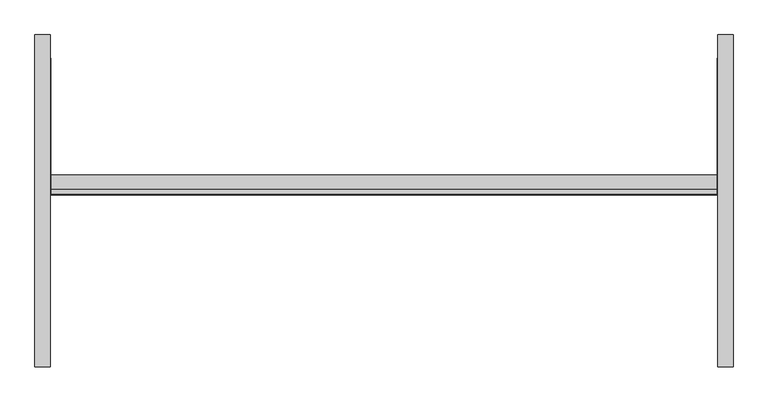
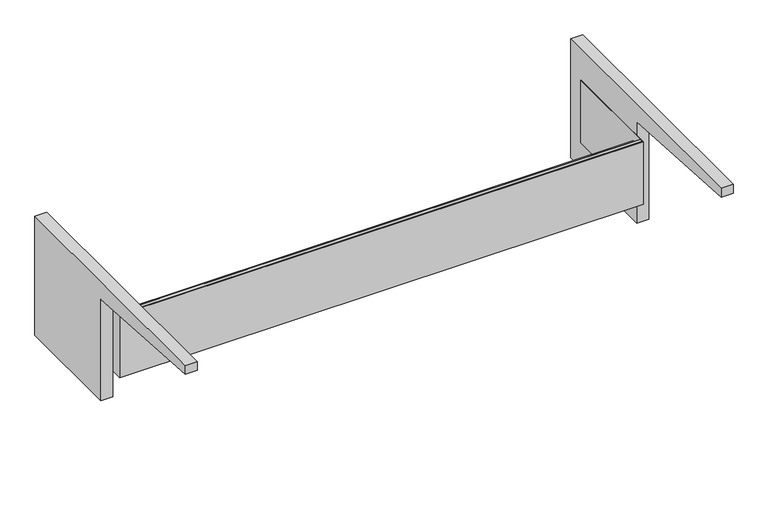
"""IFC4 building model written with IfcOpenShell, lengths in millimetres: furniture geometry."""

from ifc_helpers import new_model, si_unit, point, frame, frame_2d, origin, place, context, project, spatial, polyline, circle_curve, trimmed, segment, composite_curve, outline, extrude, source, transform, mapped, element, save


def furniture_1cb24529(model_context):
    return source(origin(), model_context, "Body", "SweptSolid", [
        extrude(outline(composite_curve([segment(polyline([(254.0, 882.65), (254.0, 533.4), (-63.5, 533.4), (-63.5, 831.85)]), True, "CONTINUOUS"), segment(trimmed(circle_curve(frame_2d((-464.343904, -2317.7524637)), 3175.0073252), [point((-63.5, 831.85))], [point((-469.9, 857.25))], True, "CARTESIAN"), True, "CONTINUOUS"), segment(polyline([(-469.9, 857.25), (-469.9, 882.65), (254.0, 882.65)]), True, "CONTINUOUS")], self_intersect=False)), frame((727.075, 0.0, 0.0), z_axis=(1.0, 0.0, 0.0), x_axis=(0.0, 1.0, 0.0)), (0.0, 0.0, 1.0), 33.3375),
        extrude(outline(composite_curve([segment(polyline([(-469.9, 857.25), (-469.9, 882.65), (254.0, 882.65), (254.0, 533.4), (-63.5, 533.4), (-63.5, 831.85)]), True, "CONTINUOUS"), segment(trimmed(circle_curve(frame_2d((-464.343904, -2317.7524637)), 3175.0073252), [point((-63.5, 831.85))], [point((-469.9, 857.25))], True, "CARTESIAN"), True, "CONTINUOUS")], self_intersect=False)), frame((-760.4125, 0.0, 0.0), z_axis=(1.0, 0.0, 0.0), x_axis=(0.0, 1.0, 0.0)), (0.0, 0.0, 1.0), 33.3375),
        extrude(outline(polyline([(-725.4875, -93.6625), (725.4875, -93.6625), (725.4875, 203.2), (727.075, 203.2), (727.075, -95.25), (-727.075, -95.25), (-727.075, 203.2), (-725.4875, 203.2), (-725.4875, -93.6625)])), frame((0.0, 0.0, 608.9396), z_axis=(0.0, 0.0, 1.0), x_axis=(1.0, 0.0, 0.0)), (0.0, 0.0, 1.0), 184.15),
        extrude(outline(polyline([(-84.1057553, 792.29585), (-93.6625, 792.29585), (-93.6625, 770.07085), (-52.0699988, 770.07085), (-52.0699988, 608.9396), (-95.25, 608.9396), (-95.25, 793.0896), (-83.3120053, 793.0896), (-83.3120053, 786.0791994), (-84.1057553, 786.0791994), (-84.1057553, 792.29585)])), frame((-727.075, 0.0, 0.0), z_axis=(1.0, 0.0, 0.0), x_axis=(0.0, 1.0, 0.0)), (0.0, 0.0, 1.0), 1454.15),
    ])


if __name__ == "__main__":
    model = new_model("IFC4")
    model_context = context("Model", 3, world=origin())
    ifc_project = project(units=[si_unit("LENGTHUNIT", "METRE", prefix="MILLI")], contexts=[model_context])
    site = spatial("IfcSite", under=ifc_project)
    building = spatial("IfcBuilding", under=site)
    placement = place(None, origin())
    furniture_shape = furniture_1cb24529(model_context)
    element("IfcFurniture", 1, at=placement, inside=building, context=model_context, shape_type="MappedRepresentation", body=[
        mapped(furniture_shape, transform((0.0, 0.0, 0.0), x_axis=(1.0, 0.0, 0.0), y_axis=(0.0, 1.0, 0.0), z_axis=(0.0, 0.0, 1.0))),
    ])
    save(model, "model.ifc")
